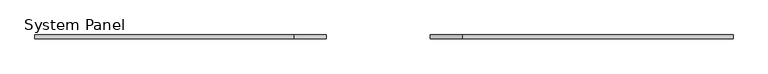
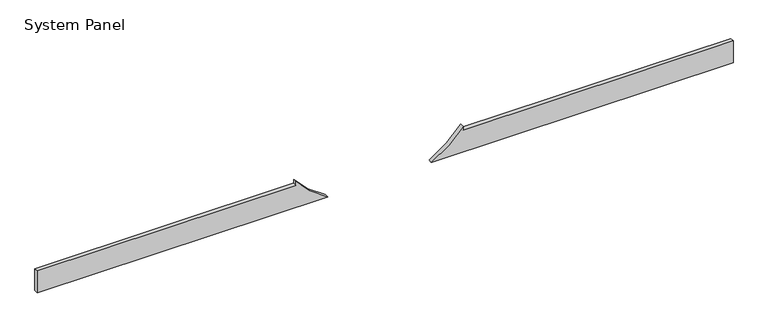
"""IFC4 building model written with IfcOpenShell, lengths in millimetres: plate geometry, System Panel."""

from ifc_helpers import new_model, si_unit, point, frame, frame_2d, origin, place, context, project, spatial, polyline, circle_curve, trimmed, segment, composite_curve, outline, extrude, source, transform, mapped, element, save


def system_panel_6d26b931(model_context):
    return source(origin(), model_context, "Body", "SweptSolid", [
        extrude(outline(composite_curve([segment(polyline([(0.0, 299.3093653), (0.0, 2250.0), (150.0, 2250.0), (150.0, 504.026521), (175.0, 504.026521)]), True, "CONTINUOUS"), segment(trimmed(circle_curve(frame_2d((600.0, -36.4365219)), 687.5502169), [point((175.0, 504.026521))], [point((0.0, 299.3093653))], True, "CARTESIAN"), True, "CONTINUOUS")], self_intersect=False)), frame((0.0, 24.5, 0.0), z_axis=(0.0, 1.0, 0.0), x_axis=(0.0, 0.0, 1.0)), (0.0, 0.0, 1.0), 25.0),
        extrude(outline(composite_curve([segment(polyline([(0.0, -2250.0), (0.0, -372.1824092)]), True, "CONTINUOUS"), segment(trimmed(circle_curve(frame_2d((600.0, -36.4365219)), 687.5502169), [point((0.0, -372.1824092))], [point((175.0, -576.8995649))], True, "CARTESIAN"), True, "CONTINUOUS"), segment(polyline([(175.0, -576.8995649), (150.0, -576.8995649), (150.0, -2250.0), (0.0, -2250.0)]), True, "CONTINUOUS")], self_intersect=False)), frame((0.0, 24.5, 0.0), z_axis=(0.0, 1.0, 0.0), x_axis=(0.0, 0.0, 1.0)), (0.0, 0.0, 1.0), 25.0),
    ])


if __name__ == "__main__":
    model = new_model("IFC4")
    model_context = context("Model", 3, world=origin())
    ifc_project = project(units=[si_unit("LENGTHUNIT", "METRE", prefix="MILLI")], contexts=[model_context])
    site = spatial("IfcSite", under=ifc_project)
    building = spatial("IfcBuilding", under=site)
    placement = place(None, origin())
    system_panel_shape = system_panel_6d26b931(model_context)
    element("IfcPlate", 1, ObjectType="System Panel", at=placement, inside=building, context=model_context, shape_type="MappedRepresentation", body=[
        mapped(system_panel_shape, transform((0.0, 0.0, 0.0), x_axis=(1.0, 0.0, 0.0), y_axis=(0.0, 1.0, 0.0), z_axis=(0.0, 0.0, 1.0))),
    ])
    save(model, "model.ifc")
